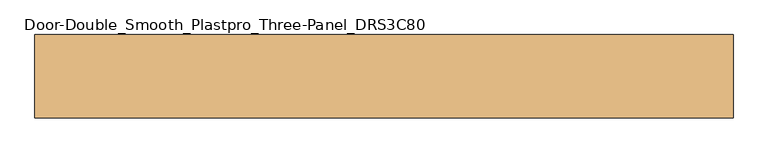
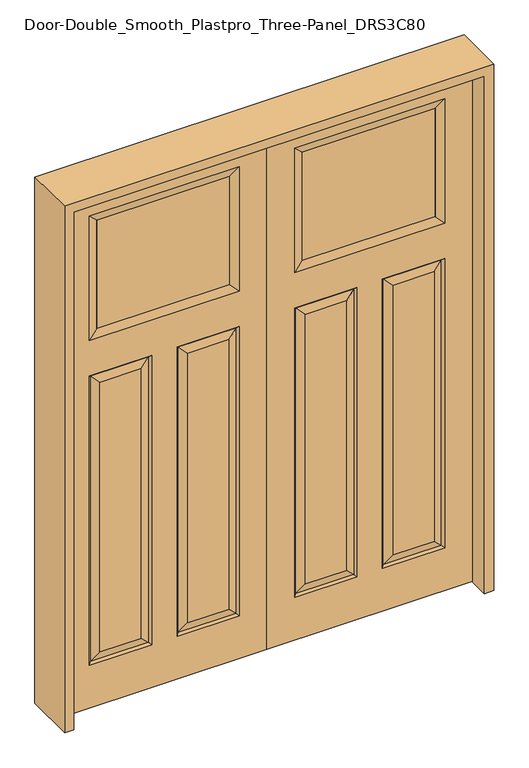
"""IFC4 building model written with IfcOpenShell, lengths in millimetres: door geometry, Door-Double_Smooth_Plastpro_Three-Panel_DRS3C80."""

import ifcopenshell
import ifcopenshell.guid

model = None  # the IFC model being written
_history = None  # IfcOwnerHistory: only IFC2X3 demands one
_inside = {}  # id of a spatial element -> (the spatial element, [elements in it])
_under = {}  # id of a project, library or spatial element -> (it, [spatial elements below it])
_declared = {}  # id of a project -> (the project, [libraries it declares])
_typed = {}  # id of a type object -> (the type object, [elements of that type])
_made_of = {}  # id of a material, layer set ... -> (it, [elements and type objects made of it])


def new_model(schema):
    """Start an empty IFC model of exactly this schema.

    Asked for "IFC4X3", IfcOpenShell would pick the latest addendum, in which some entities
    have other attributes; the version numbers below select the first issue.
    IFC2X3 requires an IfcOwnerHistory on every rooted entity: one is made here for all.
    """
    global model, _history
    if schema == "IFC4X3":
        model = ifcopenshell.file(schema_version=(4, 3, 0, 0))
    else:
        model = ifcopenshell.file(schema=schema)
    _inside.clear()
    _under.clear()
    _declared.clear()
    _typed.clear()
    _made_of.clear()
    _history = None
    if model.schema == "IFC2X3":
        org = make("IfcOrganization", Name="unknown")
        user = make(
            "IfcPersonAndOrganization",
            ThePerson=make("IfcPerson", FamilyName="unknown"),
            TheOrganization=org,
        )
        app = make(
            "IfcApplication",
            ApplicationDeveloper=org,
            Version="unknown",
            ApplicationFullName="unknown",
            ApplicationIdentifier="unknown",
        )
        _history = make(
            "IfcOwnerHistory",
            OwningUser=user,
            OwningApplication=app,
            ChangeAction="ADDED",
            CreationDate=0,
        )
    return model


def make(cls, **values):
    """One entity of the class cls with the attributes given. An attribute that is None is left unset."""
    return model.create_entity(
        cls, **{name: value for name, value in values.items() if value is not None}
    )


def rooted(cls, **values):
    """An entity with a GlobalId (a new one), such as an element, a storey or a relation."""
    return make(cls, GlobalId=ifcopenshell.guid.new(), OwnerHistory=_history, **values)


def si_unit(unit_type, name, prefix=None):
    """IfcSIUnit, for example si_unit("LENGTHUNIT", "METRE", prefix="MILLI")."""
    return make("IfcSIUnit", UnitType=unit_type, Prefix=prefix, Name=name)


def assignment(units):
    """IfcUnitAssignment: the units of a project."""
    return None if units is None else make("IfcUnitAssignment", Units=units)


def point(xyz):
    """IfcCartesianPoint."""
    return None if xyz is None else make("IfcCartesianPoint", Coordinates=xyz)


def direction(xyz):
    """IfcDirection."""
    return None if xyz is None else make("IfcDirection", DirectionRatios=xyz)


def frame(location, z_axis=None, x_axis=None):
    """IfcAxis2Placement3D, a coordinate frame: its origin and axes. An axis left out is left unset."""
    return make(
        "IfcAxis2Placement3D",
        Location=point(location),
        Axis=direction(z_axis),
        RefDirection=direction(x_axis),
    )


def origin():
    """The frame at (0, 0, 0) with its axes left unset."""
    return frame((0.0, 0.0, 0.0))


def place(relative_to, where):
    """IfcLocalPlacement: puts the frame where relative to a parent placement (None: the world)."""
    return make(
        "IfcLocalPlacement", PlacementRelTo=relative_to, RelativePlacement=where
    )


def context(
    kind, dimensions, precision=None, world=None, true_north=None, identifier=None
):
    """IfcGeometricRepresentationContext, for example the 3D "Model" context."""
    return make(
        "IfcGeometricRepresentationContext",
        ContextIdentifier=identifier,
        ContextType=kind,
        CoordinateSpaceDimension=dimensions,
        Precision=precision,
        WorldCoordinateSystem=world,
        TrueNorth=true_north,
    )


def project(units=None, contexts=None):
    """IfcProject with its units and contexts."""
    return rooted(
        "IfcProject",
        Name="project",
        RepresentationContexts=contexts,
        UnitsInContext=assignment(units),
    )


def spatial(cls, under=None, at=None, **own):
    """A site, building, storey or space (cls), placed at a placement, below another one or the project."""
    s = rooted(cls, ObjectPlacement=at, **own)
    if under is not None:
        _under.setdefault(under.id(), (under, []))[1].append(s)
    return s


def polyline(points):
    """IfcPolyline through the points."""
    return make("IfcPolyline", Points=[point(p) for p in points])


def outline(outer, holes=None, kind="AREA"):
    """IfcArbitraryClosedProfileDef: a profile drawn as a closed curve; with holes, ...WithVoids."""
    if holes is None:
        return make("IfcArbitraryClosedProfileDef", ProfileType=kind, OuterCurve=outer)
    return make(
        "IfcArbitraryProfileDefWithVoids",
        ProfileType=kind,
        OuterCurve=outer,
        InnerCurves=holes,
    )


def extrude(swept, where, along, depth):
    """IfcExtrudedAreaSolid: the profile swept, set in the frame where, extruded along a direction by depth."""
    return make(
        "IfcExtrudedAreaSolid",
        SweptArea=swept,
        Position=where,
        ExtrudedDirection=direction(along),
        Depth=depth,
    )


def faces_of(points, faces, orient=None, outer=None):
    """IfcFace entities. A face is a list of loops; a loop is a list of indices into points, from 0.

    orient and outer hold one flag for each loop. By default every Orientation is true, the
    first loop of a face is its IfcFaceOuterBound and the others are IfcFaceBound.
    """
    made = []
    for i, loops in enumerate(faces):
        bounds = []
        for j, loop in enumerate(loops):
            is_outer = j == 0 if outer is None else outer[i][j]
            bounds.append(
                make(
                    "IfcFaceOuterBound" if is_outer else "IfcFaceBound",
                    Bound=make("IfcPolyLoop", Polygon=[points[k] for k in loop]),
                    Orientation=True if orient is None else orient[i][j],
                )
            )
        made.append(make("IfcFace", Bounds=bounds))
    return made


def faceted_brep(points, faces, orient=None, outer=None, voids=None):
    """IfcFacetedBrep: a solid bounded by flat faces; with voids (closed shells), ...WithVoids."""
    shared = [point(p) for p in points]
    hull = make("IfcClosedShell", CfsFaces=faces_of(shared, faces, orient, outer))
    if voids is None:
        return make("IfcFacetedBrep", Outer=hull)
    return make(
        "IfcFacetedBrepWithVoids",
        Outer=hull,
        Voids=[
            make(cls, CfsFaces=faces_of(shared, fs, o, b)) for cls, fs, o, b in voids
        ],
    )


def shape(context_of_items, identifier, shape_type, items):
    """IfcShapeRepresentation: the items that make up one representation, for example the "Body"."""
    return make(
        "IfcShapeRepresentation",
        ContextOfItems=context_of_items,
        RepresentationIdentifier=identifier,
        RepresentationType=shape_type,
        Items=items,
    )


def source(mapping_origin, context_of_items, identifier, shape_type, items):
    """IfcRepresentationMap: a shape defined once, which mapped items show again and again."""
    return make(
        "IfcRepresentationMap",
        MappingOrigin=mapping_origin,
        MappedRepresentation=shape(context_of_items, identifier, shape_type, items),
    )


def transform(
    local_origin,
    x_axis=None,
    y_axis=None,
    z_axis=None,
    scale=None,
    scale2=None,
    scale3=None,
    uniform=True,
):
    """IfcCartesianTransformationOperator3D, or its non-uniform kind. x_axis, y_axis, z_axis: its Axis1, 2, 3."""
    if uniform:
        return make(
            "IfcCartesianTransformationOperator3D",
            Axis1=direction(x_axis),
            Axis2=direction(y_axis),
            LocalOrigin=point(local_origin),
            Scale=scale,
            Axis3=direction(z_axis),
        )
    return make(
        "IfcCartesianTransformationOperator3DnonUniform",
        Axis1=direction(x_axis),
        Axis2=direction(y_axis),
        LocalOrigin=point(local_origin),
        Scale=scale,
        Axis3=direction(z_axis),
        Scale2=scale2,
        Scale3=scale3,
    )


def mapped(mapping_source, mapping_target):
    """IfcMappedItem: shows the shape of a source again, moved by a transform."""
    return make(
        "IfcMappedItem", MappingSource=mapping_source, MappingTarget=mapping_target
    )


def made_of(thing, what):
    """Note that an element or type object is made of a material, layer set ...; save() writes the relation."""
    if what is not None:
        _made_of.setdefault(what.id(), (what, []))[1].append(thing)
    return thing


def element(
    cls,
    number,
    at=None,
    inside=None,
    cuts=None,
    type_object=None,
    material=None,
    context=None,
    identifier="Body",
    shape_type=None,
    held_by="IfcProductDefinitionShape",
    body=None,
    shapes=None,
    **own,
):
    """One element of the class cls, such as IfcWall. Its Tag is "e" and its number.

    at: its placement. inside: the storey or other place that contains it. cuts: it is an
    opening in that element (IfcRelVoidsElement). A single representation is given by context,
    identifier, shape_type and body (its items); several are given by shapes. held_by: the class
    of the entity that holds the representations. save() writes the other relations.
    """
    e = rooted(cls, Tag="e%d" % number, ObjectPlacement=at, **own)
    if body is not None:
        shapes = [shape(context, identifier, shape_type, body)]
    if shapes is not None:
        e.Representation = make(held_by, Representations=shapes)
    if inside is not None:
        _inside.setdefault(inside.id(), (inside, []))[1].append(e)
    if cuts is not None:
        rooted(
            "IfcRelVoidsElement", RelatingBuildingElement=cuts, RelatedOpeningElement=e
        )
    if type_object is not None:
        _typed.setdefault(type_object.id(), (type_object, []))[1].append(e)
    return made_of(e, material)


def aggregate(whole, parts):
    """IfcRelAggregates: a whole, such as a stair, and the parts it consists of."""
    return rooted("IfcRelAggregates", RelatingObject=whole, RelatedObjects=parts)


def save(model, path):
    """Write the relations noted so far, then the file.

    IfcRelAggregates (storeys below a building ...), IfcRelContainedInSpatialStructure (elements
    in a storey), IfcRelDefinesByType, IfcRelAssociatesMaterial and IfcRelDeclares: one each for
    every whole, place, type object, material and project.
    """
    for whole, parts in _under.values():
        aggregate(whole, parts)
    for where, things in _inside.values():
        rooted(
            "IfcRelContainedInSpatialStructure",
            RelatedElements=things,
            RelatingStructure=where,
        )
    for kind, things in _typed.values():
        rooted("IfcRelDefinesByType", RelatedObjects=things, RelatingType=kind)
    for what, things in _made_of.values():
        rooted("IfcRelAssociatesMaterial", RelatedObjects=things, RelatingMaterial=what)
    for by, libraries in _declared.values():
        rooted("IfcRelDeclares", RelatingContext=by, RelatedDefinitions=libraries)
    model.write(path)


def door_double_smooth_plastpro_three_panel_drs3c80_f7628a7d(model_context):
    return source(origin(), model_context, "Body", "SolidModel", [
        faceted_brep([(914.4, -20.6375, 2438.4), (914.4, -20.6375, 0.0), (914.4, 20.6375, 0.0), (914.4, 20.6375, 2438.4), (0.0, 20.6375, 0.0), (0.0, 20.6375, 2438.4), (123.698, 20.6375, 203.073), (400.2762187, 20.6375, 203.073), (400.2762187, 20.6375, 1565.3027812), (123.698, 20.6375, 1565.3027812), (790.7734375, 20.6375, 1733.3515625), (790.7734375, 20.6375, 2317.9484375), (123.6265625, 20.6375, 2317.9484375), (123.6265625, 20.6375, 1733.3515625), (790.702, 20.6375, 1565.3027812), (514.1237813, 20.6375, 1565.3027812), (514.1237813, 20.6375, 203.073), (790.702, 20.6375, 203.073), (744.6645, 20.6375, 249.1105), (560.1612813, 20.6375, 249.1105), (560.1612813, 20.6375, 1519.2652812), (744.6645, 20.6375, 1519.2652812), (169.7355, 20.6375, 1519.2652812), (354.2387187, 20.6375, 1519.2652812), (354.2387187, 20.6375, 249.1105), (169.7355, 20.6375, 249.1105), (781.7217439, 11.6572439, 1556.3225251), (781.7217439, 11.6572439, 212.0532561), (523.1040374, 11.6572439, 212.0532561), (391.2959626, -11.6572439, 212.0532561), (391.2959626, -11.6572439, 1556.3225251), (354.2387187, -20.6375, 1519.2652812), (354.2387188, -20.6375, 249.1105), (560.1612812, -20.6375, 249.1105), (560.1612812, -20.6375, 1519.2652812), (523.1040374, -11.6572439, 1556.3225251), (523.1040374, -11.6572439, 212.0532561), (781.7217439, -11.6572439, 212.0532561), (514.1237813, -20.6375, 203.073), (790.702, -20.6375, 203.073), (790.7734375, -20.6375, 1733.3515625), (790.7734375, -20.6375, 2317.9484375), (753.7161936, -11.6572439, 2280.8911936), (753.7161936, -11.6572439, 1770.3601562), (160.6838064, -11.6572439, 1770.3601562), (160.6838064, -11.6572439, 2280.9398438), (123.6265625, -20.6375, 2317.9484375), (123.6265625, -20.6375, 1733.3515625), (132.6782561, -11.6572439, 1556.3225251), (400.2762187, -20.6375, 1565.3027812), (123.698, -20.6375, 1565.3027812), (160.6838064, 11.6690335, 2280.9398438), (753.7161936, 11.6690335, 2280.9398438), (0.0, -20.6375, 0.0), (0.0, -20.6375, 2438.4), (514.1237813, -20.6375, 1565.3027812), (790.702, -20.6375, 1565.3027812), (400.2762187, -20.6375, 203.073), (123.698, -20.6375, 203.073), (169.7355, -20.6375, 249.1105), (169.7355, -20.6375, 1519.2652813), (744.6645, -20.6375, 1519.2652813), (744.6645, -20.6375, 249.1105), (132.6782561, 11.6572439, 212.0532561), (391.2959626, 11.6572439, 212.0532561), (132.6782561, -11.6572439, 212.0532561), (781.7217439, -11.6572439, 1556.3225251), (160.6838064, 11.6572439, 1770.3601562), (132.6782561, 11.6572439, 1556.3225251), (391.2959626, 11.6572439, 1556.3225251), (523.1040374, 11.6572439, 1556.3225251), (753.7161936, 11.6572439, 1770.3601562)], [[[0, 1, 2, 3]], [[3, 2, 4, 5], [6, 7, 8, 9], [10, 11, 12, 13], [14, 15, 16, 17]], [[18, 19, 20, 21]], [[22, 23, 24, 25]], [[26, 14, 17, 27]], [[27, 18, 21, 26]], [[27, 28, 19, 18]], [[29, 30, 31, 32]], [[33, 34, 35, 36]], [[37, 36, 38, 39]], [[40, 41, 42, 43]], [[44, 45, 46, 47]], [[48, 30, 49, 50]], [[51, 52, 42, 45]], [[47, 40, 43, 44]], [[4, 2, 1, 53]], [[5, 4, 53, 54]], [[54, 53, 1, 0], [39, 38, 55, 56], [47, 46, 41, 40], [50, 49, 57, 58]], [[59, 32, 31, 60]], [[61, 34, 33, 62]], [[5, 54, 0, 3]], [[63, 64, 7, 6]], [[65, 29, 32, 59]], [[57, 49, 30, 29]], [[37, 39, 56, 66]], [[13, 12, 51, 67]], [[6, 9, 68, 63]], [[64, 69, 8, 7]], [[68, 22, 25, 63]], [[25, 24, 64, 63]], [[24, 23, 69, 64]], [[17, 16, 28, 27]], [[16, 15, 70, 28]], [[28, 70, 20, 19]], [[59, 60, 48, 65]], [[48, 50, 58, 65]], [[58, 57, 29, 65]], [[66, 61, 62, 37]], [[62, 33, 36, 37]], [[36, 35, 55, 38]], [[12, 11, 52, 51]], [[71, 52, 11, 10]], [[45, 42, 41, 46]], [[60, 31, 30, 48]], [[9, 8, 69, 68]], [[68, 69, 23, 22]], [[52, 71, 43, 42]], [[71, 67, 44, 43]], [[45, 44, 67, 51]], [[67, 71, 10, 13]], [[66, 35, 34, 61]], [[56, 55, 35, 66]], [[26, 70, 15, 14]], [[21, 20, 70, 26]]]),
        extrude(outline(polyline([(160.6838064, -11.6572439), (160.6838064, 11.6572439), (753.7161936, 11.6572439), (753.7161936, -11.6572439), (160.6838064, -11.6572439)])), frame((0.0, 0.0, 1770.3601562), z_axis=(0.0, 0.0, 1.0), x_axis=(1.0, 0.0, 0.0)), (0.0, 0.0, 1.0), 510.5796875),
        faceted_brep([(-914.4, -20.6375, 2438.4), (-914.4, 20.6375, 2438.4), (-914.4, 20.6375, 0.0), (-914.4, -20.6375, 0.0), (-169.7355, 20.6375, 1519.2652812), (-169.7355, 20.6375, 249.1105), (-354.2387187, 20.6375, 249.1105), (-354.2387187, 20.6375, 1519.2652812), (-744.6645, 20.6375, 249.1105), (-744.6645, 20.6375, 1519.2652812), (-560.1612813, 20.6375, 1519.2652812), (-560.1612813, 20.6375, 249.1105), (0.0, 20.6375, 2438.4), (0.0, 20.6375, 0.0), (-123.698, 20.6375, 203.073), (-123.698, 20.6375, 1565.3027812), (-400.2762187, 20.6375, 1565.3027812), (-400.2762187, 20.6375, 203.073), (-790.7734375, 20.6375, 1733.3515625), (-123.6265625, 20.6375, 1733.3515625), (-123.6265625, 20.6375, 2317.9484375), (-790.7734375, 20.6375, 2317.9484375), (-790.702, 20.6375, 1565.3027812), (-790.702, 20.6375, 203.073), (-514.1237813, 20.6375, 203.073), (-514.1237813, 20.6375, 1565.3027812), (-781.7217439, 11.6572439, 1556.3225251), (-781.7217439, 11.6572439, 212.0532561), (-523.1040374, 11.6572439, 212.0532561), (-391.2959626, -11.6572439, 212.0532561), (-354.2387187, -20.6375, 249.1105), (-354.2387188, -20.6375, 1519.2652812), (-391.2959626, -11.6572439, 1556.3225251), (-560.1612813, -20.6375, 249.1105), (-523.1040374, -11.6572439, 212.0532561), (-523.1040374, -11.6572439, 1556.3225251), (-560.1612813, -20.6375, 1519.2652812), (-781.7217439, -11.6572439, 212.0532561), (-790.702, -20.6375, 203.073), (-514.1237813, -20.6375, 203.073), (-790.7734375, -20.6375, 1733.3515625), (-753.7161936, -11.6572439, 1770.4088064), (-753.7161936, -11.6572439, 2280.9398438), (-790.7734375, -20.6375, 2317.9484375), (-160.6838064, -11.6572439, 1770.4088064), (-123.6265625, -20.6375, 1733.3515625), (-123.6265625, -20.6375, 2317.9484375), (-160.6838064, -11.6572439, 2280.8911936), (-132.6782561, -11.6572439, 1556.3225251), (-123.698, -20.6375, 1565.3027812), (-400.2762187, -20.6375, 1565.3027812), (-160.6838064, 11.6572439, 2280.9398438), (-753.7161936, 11.6690335, 2280.9398438), (0.0, -20.6375, 0.0), (0.0, -20.6375, 2438.4), (-169.7355, -20.6375, 249.1105), (-169.7355, -20.6375, 1519.2652812), (-744.6645, -20.6375, 1519.2652812), (-744.6645, -20.6375, 249.1105), (-790.702, -20.6375, 1565.3027812), (-514.1237813, -20.6375, 1565.3027812), (-123.698, -20.6375, 203.073), (-400.2762187, -20.6375, 203.073), (-132.6782561, 11.6572439, 212.0532561), (-391.2959626, 11.6572439, 212.0532561), (-132.6782561, -11.6572439, 212.0532561), (-781.7217439, -11.6572439, 1556.3225251), (-160.6838064, 11.6572439, 1770.4088064), (-132.6782561, 11.6572439, 1556.3225251), (-391.2959626, 11.6572439, 1556.3225251), (-523.1040374, 11.6572439, 1556.3225251), (-753.7161936, 11.6572439, 1770.4088064)], [[[0, 1, 2, 3]], [[4, 5, 6, 7]], [[8, 9, 10, 11]], [[1, 12, 13, 2], [14, 15, 16, 17], [18, 19, 20, 21], [22, 23, 24, 25]], [[26, 27, 23, 22]], [[27, 26, 9, 8]], [[27, 8, 11, 28]], [[29, 30, 31, 32]], [[33, 34, 35, 36]], [[37, 38, 39, 34]], [[40, 41, 42, 43]], [[44, 45, 46, 47]], [[48, 49, 50, 32]], [[51, 47, 42, 52]], [[45, 44, 41, 40]], [[13, 53, 3, 2]], [[12, 54, 53, 13]], [[55, 56, 31, 30]], [[57, 58, 33, 36]], [[54, 0, 3, 53], [38, 59, 60, 39], [45, 40, 43, 46], [49, 61, 62, 50]], [[12, 1, 0, 54]], [[63, 14, 17, 64]], [[65, 55, 30, 29]], [[62, 29, 32, 50]], [[37, 66, 59, 38]], [[19, 67, 51, 20]], [[14, 63, 68, 15]], [[64, 17, 16, 69]], [[68, 63, 5, 4]], [[5, 63, 64, 6]], [[6, 64, 69, 7]], [[23, 27, 28, 24]], [[24, 28, 70, 25]], [[28, 11, 10, 70]], [[55, 65, 48, 56]], [[48, 65, 61, 49]], [[61, 65, 29, 62]], [[66, 37, 58, 57]], [[58, 37, 34, 33]], [[34, 39, 60, 35]], [[20, 51, 52, 21]], [[71, 18, 21, 52]], [[47, 46, 43, 42]], [[56, 48, 32, 31]], [[15, 68, 69, 16]], [[68, 4, 7, 69]], [[52, 42, 41, 71]], [[71, 41, 44, 67]], [[47, 51, 67, 44]], [[67, 19, 18, 71]], [[66, 57, 36, 35]], [[59, 66, 35, 60]], [[26, 22, 25, 70]], [[9, 26, 70, 10]]]),
        extrude(outline(polyline([(-160.6838064, -11.6572439), (-753.7161936, -11.6572439), (-753.7161936, 11.6572439), (-160.6838064, 11.6572439), (-160.6838064, -11.6572439)])), frame((0.0, 0.0, 1770.3601562), z_axis=(0.0, 0.0, 1.0), x_axis=(1.0, 0.0, 0.0)), (0.0, 0.0, 1.0), 510.5796875),
        extrude(outline(polyline([(2479.675, -955.675), (0.0, -955.675), (0.0, -914.4), (2438.4, -914.4), (2438.4, 914.4), (0.0, 914.4), (0.0, 955.675), (2479.675, 955.675), (2479.675, -955.675)])), frame((0.0, -114.3, 0.0), z_axis=(0.0, 1.0, 0.0), x_axis=(0.0, 0.0, 1.0)), (0.0, 0.0, 1.0), 228.6),
    ])


if __name__ == "__main__":
    model = new_model("IFC4")
    model_context = context("Model", 3, world=origin())
    ifc_project = project(units=[si_unit("LENGTHUNIT", "METRE", prefix="MILLI")], contexts=[model_context])
    site = spatial("IfcSite", under=ifc_project)
    building = spatial("IfcBuilding", under=site)
    placement = place(None, origin())
    door_double_smooth_plastpro_three_panel_drs3c80_shape = door_double_smooth_plastpro_three_panel_drs3c80_f7628a7d(model_context)
    element("IfcDoor", 1, ObjectType="Door-Double_Smooth_Plastpro_Three-Panel_DRS3C80", at=placement, inside=building, context=model_context, shape_type="MappedRepresentation", body=[
        mapped(door_double_smooth_plastpro_three_panel_drs3c80_shape, transform((0.0, 0.0, 0.0), x_axis=(1.0, 0.0, 0.0), y_axis=(0.0, 1.0, 0.0), z_axis=(0.0, 0.0, 1.0))),
    ])
    save(model, "model.ifc")
